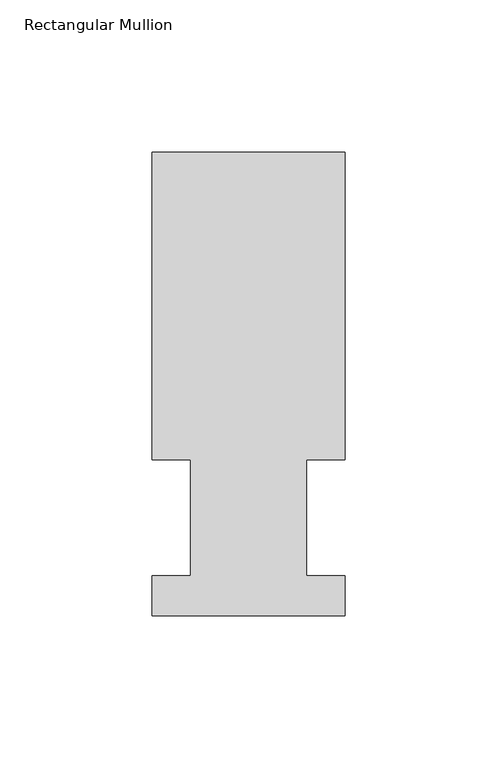
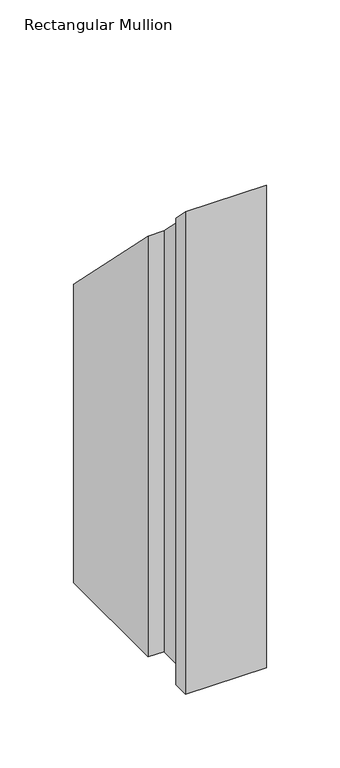
"""IFC4 building model written with IfcOpenShell, lengths in millimetres: member geometry, Rectangular Mullion."""

import ifcopenshell
import ifcopenshell.guid

model = None  # the IFC model being written
_history = None  # IfcOwnerHistory: only IFC2X3 demands one
_inside = {}  # id of a spatial element -> (the spatial element, [elements in it])
_under = {}  # id of a project, library or spatial element -> (it, [spatial elements below it])
_declared = {}  # id of a project -> (the project, [libraries it declares])
_typed = {}  # id of a type object -> (the type object, [elements of that type])
_made_of = {}  # id of a material, layer set ... -> (it, [elements and type objects made of it])


def new_model(schema):
    """Start an empty IFC model of exactly this schema.

    Asked for "IFC4X3", IfcOpenShell would pick the latest addendum, in which some entities
    have other attributes; the version numbers below select the first issue.
    IFC2X3 requires an IfcOwnerHistory on every rooted entity: one is made here for all.
    """
    global model, _history
    if schema == "IFC4X3":
        model = ifcopenshell.file(schema_version=(4, 3, 0, 0))
    else:
        model = ifcopenshell.file(schema=schema)
    _inside.clear()
    _under.clear()
    _declared.clear()
    _typed.clear()
    _made_of.clear()
    _history = None
    if model.schema == "IFC2X3":
        org = make("IfcOrganization", Name="unknown")
        user = make(
            "IfcPersonAndOrganization",
            ThePerson=make("IfcPerson", FamilyName="unknown"),
            TheOrganization=org,
        )
        app = make(
            "IfcApplication",
            ApplicationDeveloper=org,
            Version="unknown",
            ApplicationFullName="unknown",
            ApplicationIdentifier="unknown",
        )
        _history = make(
            "IfcOwnerHistory",
            OwningUser=user,
            OwningApplication=app,
            ChangeAction="ADDED",
            CreationDate=0,
        )
    return model


def make(cls, **values):
    """One entity of the class cls with the attributes given. An attribute that is None is left unset."""
    return model.create_entity(
        cls, **{name: value for name, value in values.items() if value is not None}
    )


def rooted(cls, **values):
    """An entity with a GlobalId (a new one), such as an element, a storey or a relation."""
    return make(cls, GlobalId=ifcopenshell.guid.new(), OwnerHistory=_history, **values)


def si_unit(unit_type, name, prefix=None):
    """IfcSIUnit, for example si_unit("LENGTHUNIT", "METRE", prefix="MILLI")."""
    return make("IfcSIUnit", UnitType=unit_type, Prefix=prefix, Name=name)


def assignment(units):
    """IfcUnitAssignment: the units of a project."""
    return None if units is None else make("IfcUnitAssignment", Units=units)


def point(xyz):
    """IfcCartesianPoint."""
    return None if xyz is None else make("IfcCartesianPoint", Coordinates=xyz)


def direction(xyz):
    """IfcDirection."""
    return None if xyz is None else make("IfcDirection", DirectionRatios=xyz)


def frame(location, z_axis=None, x_axis=None):
    """IfcAxis2Placement3D, a coordinate frame: its origin and axes. An axis left out is left unset."""
    return make(
        "IfcAxis2Placement3D",
        Location=point(location),
        Axis=direction(z_axis),
        RefDirection=direction(x_axis),
    )


def origin():
    """The frame at (0, 0, 0) with its axes left unset."""
    return frame((0.0, 0.0, 0.0))


def place(relative_to, where):
    """IfcLocalPlacement: puts the frame where relative to a parent placement (None: the world)."""
    return make(
        "IfcLocalPlacement", PlacementRelTo=relative_to, RelativePlacement=where
    )


def context(
    kind, dimensions, precision=None, world=None, true_north=None, identifier=None
):
    """IfcGeometricRepresentationContext, for example the 3D "Model" context."""
    return make(
        "IfcGeometricRepresentationContext",
        ContextIdentifier=identifier,
        ContextType=kind,
        CoordinateSpaceDimension=dimensions,
        Precision=precision,
        WorldCoordinateSystem=world,
        TrueNorth=true_north,
    )


def project(units=None, contexts=None):
    """IfcProject with its units and contexts."""
    return rooted(
        "IfcProject",
        Name="project",
        RepresentationContexts=contexts,
        UnitsInContext=assignment(units),
    )


def spatial(cls, under=None, at=None, **own):
    """A site, building, storey or space (cls), placed at a placement, below another one or the project."""
    s = rooted(cls, ObjectPlacement=at, **own)
    if under is not None:
        _under.setdefault(under.id(), (under, []))[1].append(s)
    return s


def faces_of(points, faces, orient=None, outer=None):
    """IfcFace entities. A face is a list of loops; a loop is a list of indices into points, from 0.

    orient and outer hold one flag for each loop. By default every Orientation is true, the
    first loop of a face is its IfcFaceOuterBound and the others are IfcFaceBound.
    """
    made = []
    for i, loops in enumerate(faces):
        bounds = []
        for j, loop in enumerate(loops):
            is_outer = j == 0 if outer is None else outer[i][j]
            bounds.append(
                make(
                    "IfcFaceOuterBound" if is_outer else "IfcFaceBound",
                    Bound=make("IfcPolyLoop", Polygon=[points[k] for k in loop]),
                    Orientation=True if orient is None else orient[i][j],
                )
            )
        made.append(make("IfcFace", Bounds=bounds))
    return made


def faceted_brep(points, faces, orient=None, outer=None, voids=None):
    """IfcFacetedBrep: a solid bounded by flat faces; with voids (closed shells), ...WithVoids."""
    shared = [point(p) for p in points]
    hull = make("IfcClosedShell", CfsFaces=faces_of(shared, faces, orient, outer))
    if voids is None:
        return make("IfcFacetedBrep", Outer=hull)
    return make(
        "IfcFacetedBrepWithVoids",
        Outer=hull,
        Voids=[
            make(cls, CfsFaces=faces_of(shared, fs, o, b)) for cls, fs, o, b in voids
        ],
    )


def shape(context_of_items, identifier, shape_type, items):
    """IfcShapeRepresentation: the items that make up one representation, for example the "Body"."""
    return make(
        "IfcShapeRepresentation",
        ContextOfItems=context_of_items,
        RepresentationIdentifier=identifier,
        RepresentationType=shape_type,
        Items=items,
    )


def source(mapping_origin, context_of_items, identifier, shape_type, items):
    """IfcRepresentationMap: a shape defined once, which mapped items show again and again."""
    return make(
        "IfcRepresentationMap",
        MappingOrigin=mapping_origin,
        MappedRepresentation=shape(context_of_items, identifier, shape_type, items),
    )


def transform(
    local_origin,
    x_axis=None,
    y_axis=None,
    z_axis=None,
    scale=None,
    scale2=None,
    scale3=None,
    uniform=True,
):
    """IfcCartesianTransformationOperator3D, or its non-uniform kind. x_axis, y_axis, z_axis: its Axis1, 2, 3."""
    if uniform:
        return make(
            "IfcCartesianTransformationOperator3D",
            Axis1=direction(x_axis),
            Axis2=direction(y_axis),
            LocalOrigin=point(local_origin),
            Scale=scale,
            Axis3=direction(z_axis),
        )
    return make(
        "IfcCartesianTransformationOperator3DnonUniform",
        Axis1=direction(x_axis),
        Axis2=direction(y_axis),
        LocalOrigin=point(local_origin),
        Scale=scale,
        Axis3=direction(z_axis),
        Scale2=scale2,
        Scale3=scale3,
    )


def mapped(mapping_source, mapping_target):
    """IfcMappedItem: shows the shape of a source again, moved by a transform."""
    return make(
        "IfcMappedItem", MappingSource=mapping_source, MappingTarget=mapping_target
    )


def made_of(thing, what):
    """Note that an element or type object is made of a material, layer set ...; save() writes the relation."""
    if what is not None:
        _made_of.setdefault(what.id(), (what, []))[1].append(thing)
    return thing


def element(
    cls,
    number,
    at=None,
    inside=None,
    cuts=None,
    type_object=None,
    material=None,
    context=None,
    identifier="Body",
    shape_type=None,
    held_by="IfcProductDefinitionShape",
    body=None,
    shapes=None,
    **own,
):
    """One element of the class cls, such as IfcWall. Its Tag is "e" and its number.

    at: its placement. inside: the storey or other place that contains it. cuts: it is an
    opening in that element (IfcRelVoidsElement). A single representation is given by context,
    identifier, shape_type and body (its items); several are given by shapes. held_by: the class
    of the entity that holds the representations. save() writes the other relations.
    """
    e = rooted(cls, Tag="e%d" % number, ObjectPlacement=at, **own)
    if body is not None:
        shapes = [shape(context, identifier, shape_type, body)]
    if shapes is not None:
        e.Representation = make(held_by, Representations=shapes)
    if inside is not None:
        _inside.setdefault(inside.id(), (inside, []))[1].append(e)
    if cuts is not None:
        rooted(
            "IfcRelVoidsElement", RelatingBuildingElement=cuts, RelatedOpeningElement=e
        )
    if type_object is not None:
        _typed.setdefault(type_object.id(), (type_object, []))[1].append(e)
    return made_of(e, material)


def aggregate(whole, parts):
    """IfcRelAggregates: a whole, such as a stair, and the parts it consists of."""
    return rooted("IfcRelAggregates", RelatingObject=whole, RelatedObjects=parts)


def save(model, path):
    """Write the relations noted so far, then the file.

    IfcRelAggregates (storeys below a building ...), IfcRelContainedInSpatialStructure (elements
    in a storey), IfcRelDefinesByType, IfcRelAssociatesMaterial and IfcRelDeclares: one each for
    every whole, place, type object, material and project.
    """
    for whole, parts in _under.values():
        aggregate(whole, parts)
    for where, things in _inside.values():
        rooted(
            "IfcRelContainedInSpatialStructure",
            RelatedElements=things,
            RelatingStructure=where,
        )
    for kind, things in _typed.values():
        rooted("IfcRelDefinesByType", RelatedObjects=things, RelatingType=kind)
    for what, things in _made_of.values():
        rooted("IfcRelAssociatesMaterial", RelatedObjects=things, RelatingMaterial=what)
    for by, libraries in _declared.values():
        rooted("IfcRelDeclares", RelatingContext=by, RelatedDefinitions=libraries)
    model.write(path)


def rectangular_mullion_0c565d54(model_context):
    return source(origin(), model_context, "Body", "Brep", [
        faceted_brep([(-63.5, 152.4896937, -400.05), (0.0, 152.4896937, -400.05), (0.0, 51.2960938, -400.05), (-12.6873, 51.2960938, -400.05), (-12.6873, 13.1960938, -400.05), (0.0, 13.1960938, -400.05), (0.0, 0.0134938, -400.05), (-63.5, 0.0134938, -400.05), (-63.5, 13.1960938, -400.05), (-50.8, 13.1960938, -400.05), (-50.8, 51.2960937, -400.05), (-63.5, 51.2960937, -400.05), (-63.5, 51.2960937, -51.2960937), (-63.5, 152.4896937, -152.4896937), (-50.8, 51.2960937, -51.2960937), (-50.8, 13.1960938, -13.1960938), (-63.5, 13.1960938, -13.1960938), (-63.5, 0.0134938, -0.0134938), (0.0, 0.0134938, -0.0134938), (0.0, 13.1960938, -13.1960938), (-12.6873, 13.1960938, -13.1960938), (-12.6873, 51.2960938, -51.2960937), (0.0, 51.2960938, -51.2960937), (0.0, 152.4896937, -152.4896937)], [[[0, 1, 2, 3, 4, 5, 6, 7, 8, 9, 10, 11]], [[12, 13, 0, 11]], [[14, 12, 11, 10]], [[15, 14, 10, 9]], [[16, 15, 9, 8]], [[17, 16, 8, 7]], [[18, 17, 7, 6]], [[19, 18, 6, 5]], [[20, 19, 5, 4]], [[21, 20, 4, 3]], [[22, 21, 3, 2]], [[23, 22, 2, 1]], [[13, 23, 1, 0]], [[13, 12, 14, 15, 16, 17, 18, 19, 20, 21, 22, 23]]]),
    ])


if __name__ == "__main__":
    model = new_model("IFC4")
    model_context = context("Model", 3, world=origin())
    ifc_project = project(units=[si_unit("LENGTHUNIT", "METRE", prefix="MILLI")], contexts=[model_context])
    site = spatial("IfcSite", under=ifc_project)
    building = spatial("IfcBuilding", under=site)
    placement = place(None, origin())
    rectangular_mullion_shape = rectangular_mullion_0c565d54(model_context)
    element("IfcMember", 1, ObjectType="Rectangular Mullion", at=placement, inside=building, context=model_context, shape_type="MappedRepresentation", body=[
        mapped(rectangular_mullion_shape, transform((0.0, 0.0, 0.0), x_axis=(1.0, 0.0, 0.0), y_axis=(0.0, 1.0, 0.0), z_axis=(0.0, 0.0, 1.0))),
    ])
    save(model, "model.ifc")
